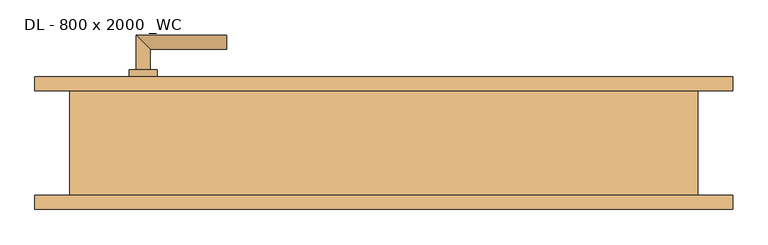
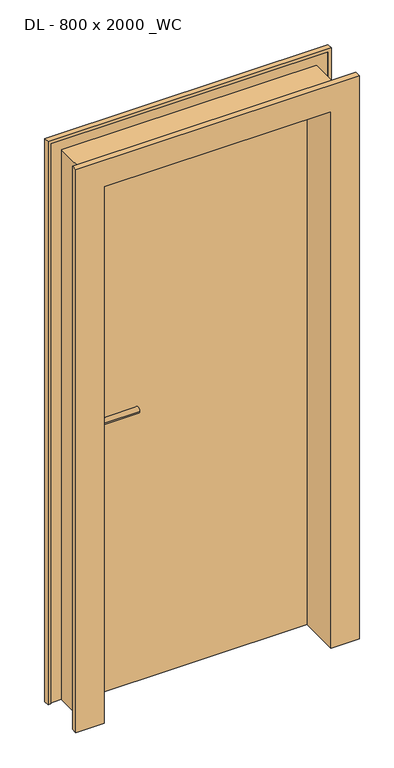
"""IFC4 building model written with IfcOpenShell, lengths in millimetres: door geometry, DL - 800 x 2000 _WC."""

from ifc_helpers import new_model, si_unit, point, frame, frame_2d, origin, origin_with_axes, place, context, project, spatial, polyline, circle_curve, ellipse_curve, trimmed, segment, composite_curve, outline, extrude, faceted_brep, source, transform, mapped, element, save
from ifc_brep_helpers import plane_surface, cylinder_surface, advanced_brep


def dl_800_x_2000_wc_e8f43938(model_context):
    return source(origin(), model_context, "Body", "SolidModel", [
        extrude(outline(polyline([(411.0, 95.0), (411.0, 50.0), (-411.0, 50.0), (-411.0, 95.0), (411.0, 95.0)])), origin_with_axes(), (0.0, 0.0, 1.0), 2011.0),
        advanced_brep(
        [(-335.0, 105.0, 1050.0), (-355.0, 105.0, 1050.0), (-335.0, 135.0, 1050.0), (-355.0, 155.0, 1050.0), (-225.0, 135.0, 1050.0), (-225.0, 155.0, 1050.0)],
        [
            (0, 1, circle_curve(frame((-345.0, 105.0, 1050.0), z_axis=(0.0, -1.0, 0.0), x_axis=(-1.0, 0.0, 0.0)), 10.0)),
            (1, 0, circle_curve(frame((-345.0, 105.0, 1050.0), z_axis=(0.0, -1.0, 0.0), x_axis=(-1.0, 0.0, 0.0)), 10.0)),
            (0, 2),
            (2, 3, ellipse_curve(frame((-345.0, 145.0, 1050.0), z_axis=(-0.7071067811865531, -0.7071067811865419, 0.0), x_axis=(0.707106781186542, -0.707106781186553, 0.0)), 14.1421356, 10.0)),
            (3, 1),
            (3, 2, ellipse_curve(frame((-345.0, 145.0, 1050.0), z_axis=(-0.7071067811865531, -0.7071067811865419, 0.0), x_axis=(0.707106781186542, -0.707106781186553, 0.0)), 14.1421356, 10.0)),
            (4, 5, circle_curve(frame((-225.0, 145.0, 1050.0), z_axis=(1.0, 0.0, 0.0), x_axis=(0.0, 1.0, 0.0)), 10.0)),
            (5, 4, circle_curve(frame((-225.0, 145.0, 1050.0), z_axis=(1.0, 0.0, 0.0), x_axis=(0.0, 1.0, 0.0)), 10.0)),
            (2, 4),
            (5, 3),
        ],
        [
            plane_surface(frame((-345.0, 105.0, 1050.0), z_axis=(0.0, -1.0, 0.0), x_axis=(0.0, 0.0, 1.0))),
            cylinder_surface(frame((-345.0, 105.0, 1050.0), z_axis=(0.0, -1.0, 0.0), x_axis=(-1.0, 0.0, 0.0)), 10.0),
            plane_surface(frame((-225.0, 145.0, 1050.0), z_axis=(1.0, 0.0, 0.0), x_axis=(0.0, 0.0, 1.0))),
            cylinder_surface(frame((-345.0, 145.0, 1050.0), z_axis=(-1.0, 0.0, 0.0), x_axis=(0.0, 1.0, 0.0)), 10.0),
        ],
        [
            (0, [[1, 2]]),
            (1, [[-1, 3, 4, 5]]),
            (1, [[-2, -5, 6, -3]]),
            (2, [[7, 8]]),
            (3, [[-4, 9, -8, 10]]),
            (3, [[-6, -10, -7, -9]]),
        ],
    ),
        extrude(outline(composite_curve([segment(trimmed(circle_curve(frame_2d((990.0, -345.0)), 20.0), [point((990.0, -365.0))], [point((990.0, -325.0))], False, "CARTESIAN"), True, "CONTINUOUS"), segment(trimmed(circle_curve(frame_2d((990.0, -345.0)), 20.0), [point((990.0, -325.0))], [point((990.0, -365.0))], False, "CARTESIAN"), True, "CONTINUOUS")], self_intersect=False), holes=[composite_curve([segment(polyline([(976.4601385, -347.397268), (988.4749012, -347.397268)]), True, "CONTINUOUS"), segment(trimmed(circle_curve(frame_2d((995.0361633, -345.0)), 6.9854888), [point((988.4749012, -347.397268))], [point((988.4749012, -342.602732))], True, "CARTESIAN"), True, "CONTINUOUS"), segment(polyline([(988.4749012, -342.602732), (976.4601385, -342.602732)]), True, "CONTINUOUS"), segment(trimmed(circle_curve(frame_2d((976.4601385, -345.0)), 2.397268), [point((976.4601385, -342.602732))], [point((976.4601385, -347.397268))], True, "CARTESIAN"), True, "CONTINUOUS")], self_intersect=False)]), frame((0.0, 95.0, 0.0), z_axis=(0.0, 1.0, 0.0), x_axis=(0.0, 0.0, 1.0)), (0.0, 0.0, 1.0), 10.0),
        advanced_brep(
        [(-335.0, 105.0, 1050.0), (-355.0, 105.0, 1050.0), (-335.0, 135.0, 1050.0), (-355.0, 155.0, 1050.0), (-225.0, 135.0, 1050.0), (-225.0, 155.0, 1050.0)],
        [
            (0, 1, circle_curve(frame((-345.0, 105.0, 1050.0), z_axis=(0.0, -1.0, 0.0), x_axis=(-1.0, 0.0, 0.0)), 10.0)),
            (1, 0, circle_curve(frame((-345.0, 105.0, 1050.0), z_axis=(0.0, -1.0, 0.0), x_axis=(-1.0, 0.0, 0.0)), 10.0)),
            (0, 2),
            (2, 3, ellipse_curve(frame((-345.0, 145.0, 1050.0), z_axis=(-0.7071067811865537, -0.7071067811865414, 0.0), x_axis=(0.7071067811865414, -0.7071067811865536, 0.0)), 14.1421356, 10.0)),
            (3, 1),
            (3, 2, ellipse_curve(frame((-345.0, 145.0, 1050.0), z_axis=(-0.7071067811865537, -0.7071067811865414, 0.0), x_axis=(0.7071067811865414, -0.7071067811865536, 0.0)), 14.1421356, 10.0)),
            (4, 5, circle_curve(frame((-225.0, 145.0, 1050.0), z_axis=(1.0, 0.0, 0.0), x_axis=(0.0, 1.0, 0.0)), 10.0)),
            (5, 4, circle_curve(frame((-225.0, 145.0, 1050.0), z_axis=(1.0, 0.0, 0.0), x_axis=(0.0, 1.0, 0.0)), 10.0)),
            (2, 4),
            (5, 3),
        ],
        [
            plane_surface(frame((-345.0, 105.0, 1050.0), z_axis=(0.0, -1.0, 0.0), x_axis=(0.0, 0.0, 1.0))),
            cylinder_surface(frame((-345.0, 105.0, 1050.0), z_axis=(0.0, -1.0, 0.0), x_axis=(-1.0, 0.0, 0.0)), 10.0),
            plane_surface(frame((-225.0, 145.0, 1050.0), z_axis=(1.0, 0.0, 0.0), x_axis=(0.0, 0.0, 1.0))),
            cylinder_surface(frame((-345.0, 145.0, 1050.0), z_axis=(-1.0, 0.0, 0.0), x_axis=(0.0, 1.0, 0.0)), 10.0),
        ],
        [
            (0, [[1, 2]]),
            (1, [[-1, 3, 4, 5]]),
            (1, [[-2, -5, 6, -3]]),
            (2, [[7, 8]]),
            (3, [[-4, 9, -8, 10]]),
            (3, [[-6, -10, -7, -9]]),
        ],
    ),
        extrude(outline(composite_curve([segment(trimmed(circle_curve(frame_2d((1050.0, -345.0)), 20.0), [point((1050.0, -365.0))], [point((1050.0, -325.0))], False, "CARTESIAN"), True, "CONTINUOUS"), segment(trimmed(circle_curve(frame_2d((1050.0, -345.0)), 20.0), [point((1050.0, -325.0))], [point((1050.0, -365.0))], False, "CARTESIAN"), True, "CONTINUOUS")], self_intersect=False)), frame((0.0, 95.0, 0.0), z_axis=(0.0, 1.0, 0.0), x_axis=(0.0, 0.0, 1.0)), (0.0, 0.0, 1.0), 10.0),
        advanced_brep(
        [(-335.0, 40.0, 1050.0), (-355.0, 40.0, 1050.0), (-355.0, -10.0, 1050.0), (-335.0, 10.0, 1050.0), (-225.0, 10.0, 1050.0), (-225.0, -10.0, 1050.0)],
        [
            (0, 1, circle_curve(frame((-345.0, 40.0, 1050.0), z_axis=(0.0, 1.0, 0.0), x_axis=(-1.0, 0.0, 0.0)), 10.0)),
            (1, 0, circle_curve(frame((-345.0, 40.0, 1050.0), z_axis=(0.0, 1.0, 0.0), x_axis=(-1.0, 0.0, 0.0)), 10.0)),
            (1, 2),
            (2, 3, ellipse_curve(frame((-345.0, 0.0, 1050.0), z_axis=(-0.7071067811865486, 0.7071067811865464, 0.0), x_axis=(0.7071067811865464, 0.7071067811865488, 0.0)), 14.1421356, 10.0)),
            (3, 0),
            (3, 2, ellipse_curve(frame((-345.0, 0.0, 1050.0), z_axis=(-0.7071067811865486, 0.7071067811865464, 0.0), x_axis=(0.7071067811865464, 0.7071067811865488, 0.0)), 14.1421356, 10.0)),
            (4, 5, circle_curve(frame((-225.0, 0.0, 1050.0), z_axis=(1.0, 0.0, 0.0), x_axis=(0.0, -1.0, 0.0)), 10.0)),
            (5, 4, circle_curve(frame((-225.0, 0.0, 1050.0), z_axis=(1.0, 0.0, 0.0), x_axis=(0.0, -1.0, 0.0)), 10.0)),
            (2, 5),
            (4, 3),
        ],
        [
            plane_surface(frame((-345.0, 40.0, 1050.0), z_axis=(0.0, 1.0, 0.0), x_axis=(0.0, 0.0, 1.0))),
            cylinder_surface(frame((-345.0, 40.0, 1050.0), z_axis=(0.0, 1.0, 0.0), x_axis=(-1.0, 0.0, 0.0)), 10.0),
            plane_surface(frame((-225.0, 0.0, 1050.0), z_axis=(1.0, 0.0, 0.0), x_axis=(0.0, 0.0, 1.0))),
            cylinder_surface(frame((-345.0, 0.0, 1050.0), z_axis=(-1.0, 0.0, 0.0), x_axis=(0.0, -1.0, 0.0)), 10.0),
        ],
        [
            (0, [[1, 2]]),
            (1, [[3, 4, 5, -2]]),
            (1, [[-5, 6, -3, -1]]),
            (2, [[7, 8]]),
            (3, [[9, -7, 10, -4]]),
            (3, [[-10, -8, -9, -6]]),
        ],
    ),
        extrude(outline(composite_curve([segment(trimmed(circle_curve(frame_2d((990.0, -345.0)), 20.0), [point((990.0, -365.0))], [point((990.0, -325.0))], False, "CARTESIAN"), True, "CONTINUOUS"), segment(trimmed(circle_curve(frame_2d((990.0, -345.0)), 20.0), [point((990.0, -325.0))], [point((990.0, -365.0))], False, "CARTESIAN"), True, "CONTINUOUS")], self_intersect=False), holes=[composite_curve([segment(polyline([(976.4601385, -347.397268), (988.4749012, -347.397268)]), True, "CONTINUOUS"), segment(trimmed(circle_curve(frame_2d((995.0361633, -345.0)), 6.9854888), [point((988.4749012, -347.397268))], [point((988.4749012, -342.602732))], True, "CARTESIAN"), True, "CONTINUOUS"), segment(polyline([(988.4749012, -342.602732), (976.4601385, -342.602732)]), True, "CONTINUOUS"), segment(trimmed(circle_curve(frame_2d((976.4601385, -345.0)), 2.397268), [point((976.4601385, -342.602732))], [point((976.4601385, -347.397268))], True, "CARTESIAN"), True, "CONTINUOUS")], self_intersect=False)]), frame((0.0, 40.0, 0.0), z_axis=(0.0, 1.0, 0.0), x_axis=(0.0, 0.0, 1.0)), (0.0, 0.0, 1.0), 10.0),
        advanced_brep(
        [(-335.0, 40.0, 1050.0), (-355.0, 40.0, 1050.0), (-355.0, -10.0, 1050.0), (-335.0, 10.0, 1050.0), (-225.0, 10.0, 1050.0), (-225.0, -10.0, 1050.0)],
        [
            (0, 1, circle_curve(frame((-345.0, 40.0, 1050.0), z_axis=(0.0, 1.0, 0.0), x_axis=(-1.0, 0.0, 0.0)), 10.0)),
            (1, 0, circle_curve(frame((-345.0, 40.0, 1050.0), z_axis=(0.0, 1.0, 0.0), x_axis=(-1.0, 0.0, 0.0)), 10.0)),
            (1, 2),
            (2, 3, ellipse_curve(frame((-345.0, 0.0, 1050.0), z_axis=(-0.7071067811865491, 0.7071067811865459, 0.0), x_axis=(0.7071067811865458, 0.7071067811865492, 0.0)), 14.1421356, 10.0)),
            (3, 0),
            (3, 2, ellipse_curve(frame((-345.0, 0.0, 1050.0), z_axis=(-0.7071067811865491, 0.7071067811865459, 0.0), x_axis=(0.7071067811865458, 0.7071067811865492, 0.0)), 14.1421356, 10.0)),
            (4, 5, circle_curve(frame((-225.0, 0.0, 1050.0), z_axis=(1.0, 0.0, 0.0), x_axis=(0.0, -1.0, 0.0)), 10.0)),
            (5, 4, circle_curve(frame((-225.0, 0.0, 1050.0), z_axis=(1.0, 0.0, 0.0), x_axis=(0.0, -1.0, 0.0)), 10.0)),
            (2, 5),
            (4, 3),
        ],
        [
            plane_surface(frame((-345.0, 40.0, 1050.0), z_axis=(0.0, 1.0, 0.0), x_axis=(0.0, 0.0, 1.0))),
            cylinder_surface(frame((-345.0, 40.0, 1050.0), z_axis=(0.0, 1.0, 0.0), x_axis=(-1.0, 0.0, 0.0)), 10.0),
            plane_surface(frame((-225.0, 0.0, 1050.0), z_axis=(1.0, 0.0, 0.0), x_axis=(0.0, 0.0, 1.0))),
            cylinder_surface(frame((-345.0, 0.0, 1050.0), z_axis=(-1.0, 0.0, 0.0), x_axis=(0.0, -1.0, 0.0)), 10.0),
        ],
        [
            (0, [[1, 2]]),
            (1, [[3, 4, 5, -2]]),
            (1, [[-5, 6, -3, -1]]),
            (2, [[7, 8]]),
            (3, [[9, -7, 10, -4]]),
            (3, [[-10, -8, -9, -6]]),
        ],
    ),
        extrude(outline(composite_curve([segment(trimmed(circle_curve(frame_2d((1050.0, -345.0)), 20.0), [point((1050.0, -365.0))], [point((1050.0, -325.0))], False, "CARTESIAN"), True, "CONTINUOUS"), segment(trimmed(circle_curve(frame_2d((1050.0, -345.0)), 20.0), [point((1050.0, -325.0))], [point((1050.0, -365.0))], False, "CARTESIAN"), True, "CONTINUOUS")], self_intersect=False)), frame((0.0, 40.0, 0.0), z_axis=(0.0, 1.0, 0.0), x_axis=(0.0, 0.0, 1.0)), (0.0, 0.0, 1.0), 10.0),
        faceted_brep([(-400.0, -95.0, 0.0), (-500.0, -95.0, 0.0), (-500.0, -75.0, 0.0), (-490.0, -75.0, 0.0), (-490.0, -80.0, 0.0), (-450.0, -80.0, 0.0), (-450.0, 80.0, 0.0), (-490.0, 80.0, 0.0), (-490.0, 75.0, 0.0), (-500.0, 75.0, 0.0), (-500.0, 95.0, 0.0), (-415.0, 95.0, 0.0), (-415.0, 50.0, 0.0), (-400.0, 50.0, 0.0), (-400.0, -95.0, 2000.0), (400.0, -95.0, 2000.0), (400.0, -95.0, 0.0), (500.0, -95.0, 0.0), (500.0, -95.0, 2100.0), (-500.0, -95.0, 2100.0), (-500.0, -75.0, 2100.0), (500.0, -75.0, 2100.0), (500.0, -75.0, 0.0), (490.0, -75.0, 0.0), (490.0, -75.0, 2090.0), (-490.0, -75.0, 2090.0), (-490.0, -80.0, 2090.0), (490.0, -80.0, 2090.0), (490.0, -80.0, 0.0), (450.0, -80.0, 0.0), (450.0, -80.0, 2050.0), (-450.0, -80.0, 2050.0), (-450.0, 80.0, 2050.0), (450.0, 80.0, 2050.0), (450.0, 80.0, 0.0), (490.0, 80.0, 0.0), (490.0, 80.0, 2090.0), (-490.0, 80.0, 2090.0), (-490.0, 75.0, 2090.0), (490.0, 75.0, 2090.0), (490.0, 75.0, 0.0), (500.0, 75.0, 0.0), (500.0, 75.0, 2100.0), (-500.0, 75.0, 2100.0), (-500.0, 95.0, 2100.0), (500.0, 95.0, 2100.0), (500.0, 95.0, 0.0), (415.0, 95.0, 0.0), (415.0, 95.0, 2015.0), (-415.0, 95.0, 2015.0), (-415.0, 50.0, 2015.0), (415.0, 50.0, 2015.0), (415.0, 50.0, 0.0), (400.0, 50.0, 0.0), (400.0, 50.0, 2000.0), (-400.0, 50.0, 2000.0)], [[[0, 1, 2, 3, 4, 5, 6, 7, 8, 9, 10, 11, 12, 13]], [[1, 0, 14, 15, 16, 17, 18, 19]], [[2, 1, 19, 20]], [[3, 2, 20, 21, 22, 23, 24, 25]], [[4, 3, 25, 26]], [[5, 4, 26, 27, 28, 29, 30, 31]], [[6, 5, 31, 32]], [[7, 6, 32, 33, 34, 35, 36, 37]], [[8, 7, 37, 38]], [[9, 8, 38, 39, 40, 41, 42, 43]], [[10, 9, 43, 44]], [[11, 10, 44, 45, 46, 47, 48, 49]], [[12, 11, 49, 50]], [[13, 12, 50, 51, 52, 53, 54, 55]], [[0, 13, 55, 14]], [[16, 53, 52, 47, 46, 41, 40, 35, 34, 29, 28, 23, 22, 17]], [[15, 54, 53, 16]], [[51, 48, 47, 52]], [[45, 42, 41, 46]], [[39, 36, 35, 40]], [[33, 30, 29, 34]], [[27, 24, 23, 28]], [[21, 18, 17, 22]], [[32, 31, 30, 33]], [[14, 55, 54, 15]], [[50, 49, 48, 51]], [[44, 43, 42, 45]], [[20, 19, 18, 21]], [[38, 37, 36, 39]], [[26, 25, 24, 27]]]),
    ])


if __name__ == "__main__":
    model = new_model("IFC4")
    model_context = context("Model", 3, world=origin())
    ifc_project = project(units=[si_unit("LENGTHUNIT", "METRE", prefix="MILLI")], contexts=[model_context])
    site = spatial("IfcSite", under=ifc_project)
    building = spatial("IfcBuilding", under=site)
    placement = place(None, origin())
    dl_800_x_2000_wc_shape = dl_800_x_2000_wc_e8f43938(model_context)
    element("IfcDoor", 1, ObjectType="DL - 800 x 2000 _WC", at=placement, inside=building, context=model_context, shape_type="MappedRepresentation", body=[
        mapped(dl_800_x_2000_wc_shape, transform((0.0, 0.0, 0.0), x_axis=(1.0, 0.0, 0.0), y_axis=(0.0, 1.0, 0.0), z_axis=(0.0, 0.0, 1.0))),
    ])
    save(model, "model.ifc")
